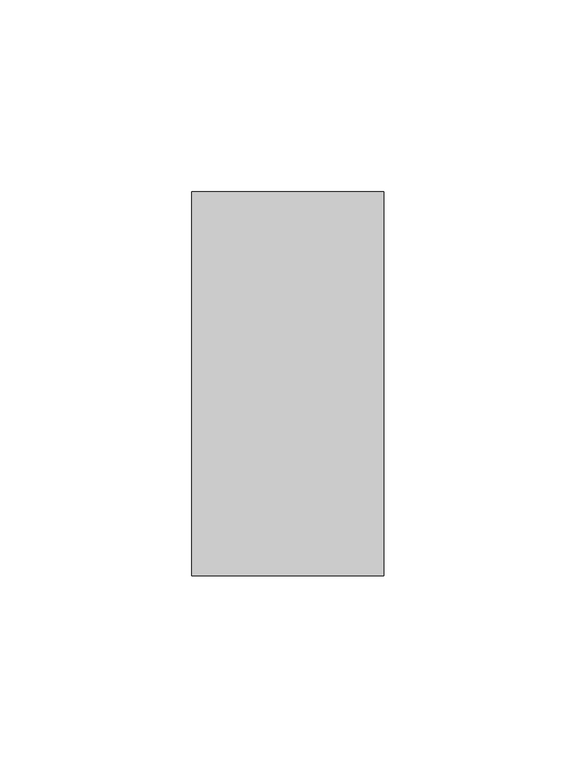
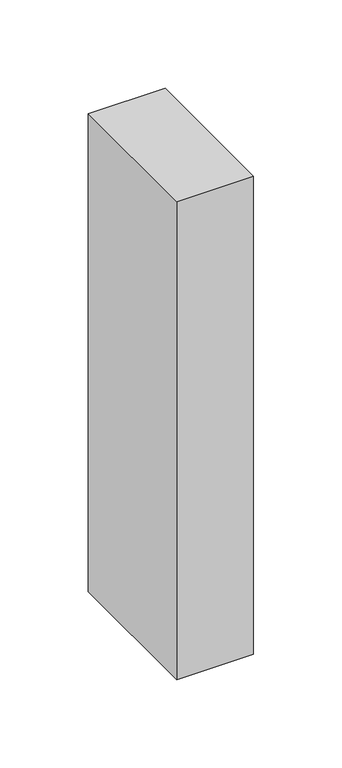
"""IFC4 building model written with IfcOpenShell, lengths in millimetres: member geometry."""

from ifc_helpers import new_model, si_unit, frame, origin, place, context, project, spatial, polyline, outline, extrude, source, transform, mapped, element, save


def member_a0df66c9(model_context):
    return source(origin(), model_context, "Body", "SweptSolid", [
        extrude(outline(polyline([(0.0, 50.0), (0.0, -50.0), (-50.0, -50.0), (-50.0, 50.0), (0.0, 50.0)])), frame((0.0, 0.0, -329.7826087), z_axis=(0.0, 0.0, 1.0), x_axis=(1.0, 0.0, 0.0)), (0.0, 0.0, 1.0), 329.7826087),
    ])


if __name__ == "__main__":
    model = new_model("IFC4")
    model_context = context("Model", 3, world=origin())
    ifc_project = project(units=[si_unit("LENGTHUNIT", "METRE", prefix="MILLI")], contexts=[model_context])
    site = spatial("IfcSite", under=ifc_project)
    building = spatial("IfcBuilding", under=site)
    placement = place(None, origin())
    member_shape = member_a0df66c9(model_context)
    element("IfcMember", 1, at=placement, inside=building, context=model_context, shape_type="MappedRepresentation", body=[
        mapped(member_shape, transform((0.0, 0.0, 0.0), x_axis=(1.0, 0.0, 0.0), y_axis=(0.0, 1.0, 0.0), z_axis=(0.0, 0.0, 1.0))),
    ])
    save(model, "model.ifc")
